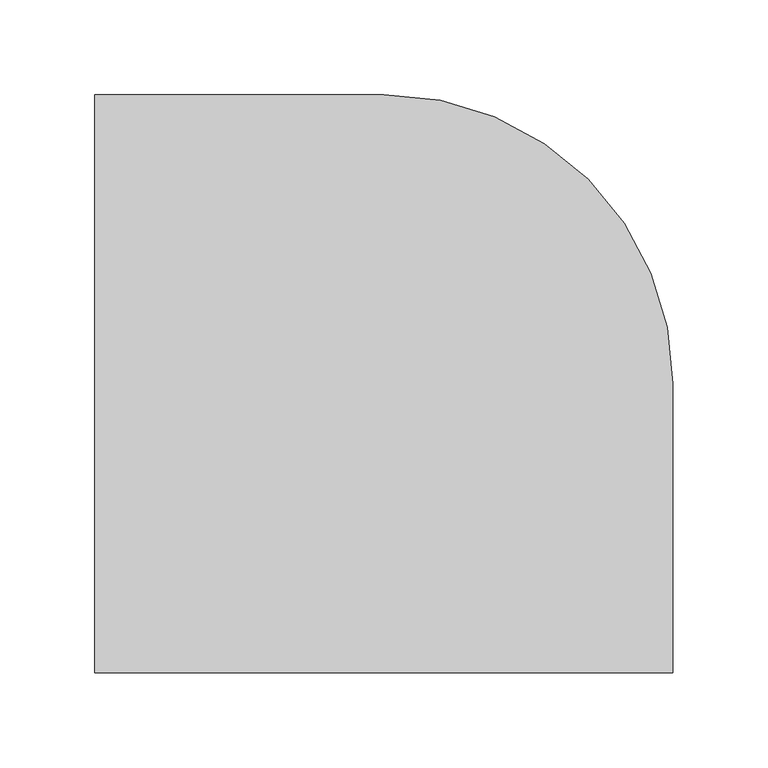
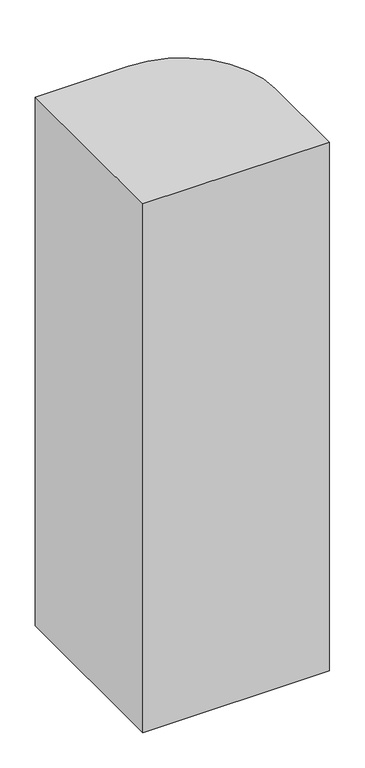
"""IFC4 building model written with IfcOpenShell, lengths in millimetres: proxy geometry."""

from ifc_helpers import new_model, si_unit, point, origin, origin_with_axes, origin_2d, place, context, project, spatial, polyline, circle_curve, trimmed, segment, composite_curve, outline, extrude, source, transform, mapped, element, save


def generic_models_e2695874(model_context):
    return source(origin(), model_context, "Body", "SweptSolid", [
        extrude(outline(composite_curve([segment(polyline([(152.4, -152.4), (-152.4, -152.4), (-152.4, 152.4), (0.0, 152.4)]), True, "CONTINUOUS"), segment(trimmed(circle_curve(origin_2d(), 152.4), [point((0.0, 152.4))], [point((152.4, 0.0))], False, "CARTESIAN"), True, "CONTINUOUS"), segment(polyline([(152.4, 0.0), (152.4, -152.4)]), True, "CONTINUOUS")], self_intersect=False)), origin_with_axes(), (0.0, 0.0, 1.0), 914.4),
    ])


if __name__ == "__main__":
    model = new_model("IFC4")
    model_context = context("Model", 3, world=origin())
    ifc_project = project(units=[si_unit("LENGTHUNIT", "METRE", prefix="MILLI")], contexts=[model_context])
    site = spatial("IfcSite", under=ifc_project)
    building = spatial("IfcBuilding", under=site)
    placement = place(None, origin())
    generic_models_shape = generic_models_e2695874(model_context)
    element("IfcBuildingElementProxy", 1, Name="Generic Models", at=placement, inside=building, context=model_context, shape_type="MappedRepresentation", body=[
        mapped(generic_models_shape, transform((0.0, 0.0, 0.0), x_axis=(1.0, 0.0, 0.0), y_axis=(0.0, 1.0, 0.0), z_axis=(0.0, 0.0, 1.0))),
    ])
    save(model, "model.ifc")
